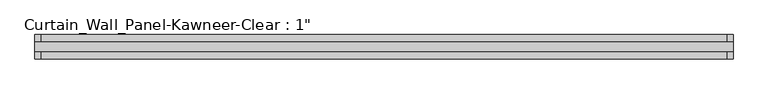
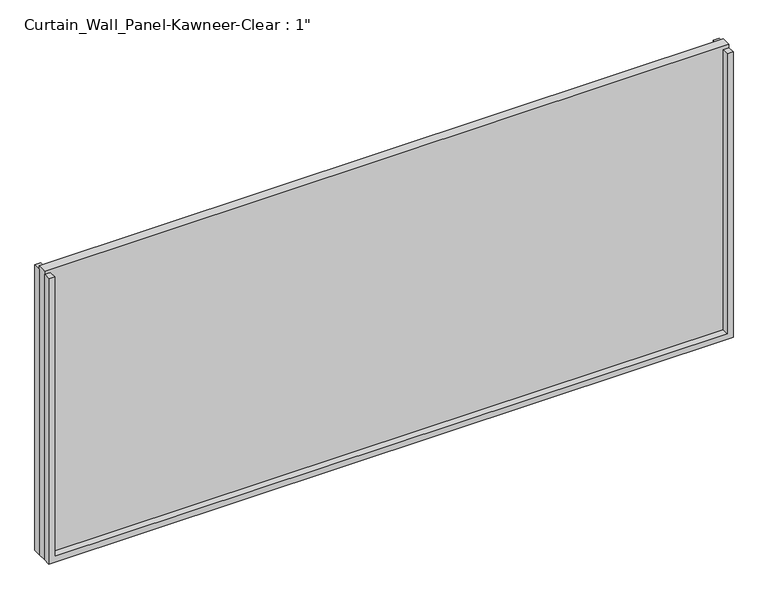
"""IFC4 building model written with IfcOpenShell, lengths in millimetres: plate geometry."""

import ifcopenshell
import ifcopenshell.guid

model = None  # the IFC model being written
_history = None  # IfcOwnerHistory: only IFC2X3 demands one
_inside = {}  # id of a spatial element -> (the spatial element, [elements in it])
_under = {}  # id of a project, library or spatial element -> (it, [spatial elements below it])
_declared = {}  # id of a project -> (the project, [libraries it declares])
_typed = {}  # id of a type object -> (the type object, [elements of that type])
_made_of = {}  # id of a material, layer set ... -> (it, [elements and type objects made of it])


def new_model(schema):
    """Start an empty IFC model of exactly this schema.

    Asked for "IFC4X3", IfcOpenShell would pick the latest addendum, in which some entities
    have other attributes; the version numbers below select the first issue.
    IFC2X3 requires an IfcOwnerHistory on every rooted entity: one is made here for all.
    """
    global model, _history
    if schema == "IFC4X3":
        model = ifcopenshell.file(schema_version=(4, 3, 0, 0))
    else:
        model = ifcopenshell.file(schema=schema)
    _inside.clear()
    _under.clear()
    _declared.clear()
    _typed.clear()
    _made_of.clear()
    _history = None
    if model.schema == "IFC2X3":
        org = make("IfcOrganization", Name="unknown")
        user = make(
            "IfcPersonAndOrganization",
            ThePerson=make("IfcPerson", FamilyName="unknown"),
            TheOrganization=org,
        )
        app = make(
            "IfcApplication",
            ApplicationDeveloper=org,
            Version="unknown",
            ApplicationFullName="unknown",
            ApplicationIdentifier="unknown",
        )
        _history = make(
            "IfcOwnerHistory",
            OwningUser=user,
            OwningApplication=app,
            ChangeAction="ADDED",
            CreationDate=0,
        )
    return model


def make(cls, **values):
    """One entity of the class cls with the attributes given. An attribute that is None is left unset."""
    return model.create_entity(
        cls, **{name: value for name, value in values.items() if value is not None}
    )


def rooted(cls, **values):
    """An entity with a GlobalId (a new one), such as an element, a storey or a relation."""
    return make(cls, GlobalId=ifcopenshell.guid.new(), OwnerHistory=_history, **values)


def si_unit(unit_type, name, prefix=None):
    """IfcSIUnit, for example si_unit("LENGTHUNIT", "METRE", prefix="MILLI")."""
    return make("IfcSIUnit", UnitType=unit_type, Prefix=prefix, Name=name)


def assignment(units):
    """IfcUnitAssignment: the units of a project."""
    return None if units is None else make("IfcUnitAssignment", Units=units)


def point(xyz):
    """IfcCartesianPoint."""
    return None if xyz is None else make("IfcCartesianPoint", Coordinates=xyz)


def direction(xyz):
    """IfcDirection."""
    return None if xyz is None else make("IfcDirection", DirectionRatios=xyz)


def frame(location, z_axis=None, x_axis=None):
    """IfcAxis2Placement3D, a coordinate frame: its origin and axes. An axis left out is left unset."""
    return make(
        "IfcAxis2Placement3D",
        Location=point(location),
        Axis=direction(z_axis),
        RefDirection=direction(x_axis),
    )


def origin():
    """The frame at (0, 0, 0) with its axes left unset."""
    return frame((0.0, 0.0, 0.0))


def origin_with_axes():
    """The frame at (0, 0, 0) with the z axis (0, 0, 1) and the x axis (1, 0, 0) written out."""
    return frame((0.0, 0.0, 0.0), z_axis=(0.0, 0.0, 1.0), x_axis=(1.0, 0.0, 0.0))


def place(relative_to, where):
    """IfcLocalPlacement: puts the frame where relative to a parent placement (None: the world)."""
    return make(
        "IfcLocalPlacement", PlacementRelTo=relative_to, RelativePlacement=where
    )


def context(
    kind, dimensions, precision=None, world=None, true_north=None, identifier=None
):
    """IfcGeometricRepresentationContext, for example the 3D "Model" context."""
    return make(
        "IfcGeometricRepresentationContext",
        ContextIdentifier=identifier,
        ContextType=kind,
        CoordinateSpaceDimension=dimensions,
        Precision=precision,
        WorldCoordinateSystem=world,
        TrueNorth=true_north,
    )


def project(units=None, contexts=None):
    """IfcProject with its units and contexts."""
    return rooted(
        "IfcProject",
        Name="project",
        RepresentationContexts=contexts,
        UnitsInContext=assignment(units),
    )


def spatial(cls, under=None, at=None, **own):
    """A site, building, storey or space (cls), placed at a placement, below another one or the project."""
    s = rooted(cls, ObjectPlacement=at, **own)
    if under is not None:
        _under.setdefault(under.id(), (under, []))[1].append(s)
    return s


def polyline(points):
    """IfcPolyline through the points."""
    return make("IfcPolyline", Points=[point(p) for p in points])


def outline(outer, holes=None, kind="AREA"):
    """IfcArbitraryClosedProfileDef: a profile drawn as a closed curve; with holes, ...WithVoids."""
    if holes is None:
        return make("IfcArbitraryClosedProfileDef", ProfileType=kind, OuterCurve=outer)
    return make(
        "IfcArbitraryProfileDefWithVoids",
        ProfileType=kind,
        OuterCurve=outer,
        InnerCurves=holes,
    )


def extrude(swept, where, along, depth):
    """IfcExtrudedAreaSolid: the profile swept, set in the frame where, extruded along a direction by depth."""
    return make(
        "IfcExtrudedAreaSolid",
        SweptArea=swept,
        Position=where,
        ExtrudedDirection=direction(along),
        Depth=depth,
    )


def shape(context_of_items, identifier, shape_type, items):
    """IfcShapeRepresentation: the items that make up one representation, for example the "Body"."""
    return make(
        "IfcShapeRepresentation",
        ContextOfItems=context_of_items,
        RepresentationIdentifier=identifier,
        RepresentationType=shape_type,
        Items=items,
    )


def source(mapping_origin, context_of_items, identifier, shape_type, items):
    """IfcRepresentationMap: a shape defined once, which mapped items show again and again."""
    return make(
        "IfcRepresentationMap",
        MappingOrigin=mapping_origin,
        MappedRepresentation=shape(context_of_items, identifier, shape_type, items),
    )


def transform(
    local_origin,
    x_axis=None,
    y_axis=None,
    z_axis=None,
    scale=None,
    scale2=None,
    scale3=None,
    uniform=True,
):
    """IfcCartesianTransformationOperator3D, or its non-uniform kind. x_axis, y_axis, z_axis: its Axis1, 2, 3."""
    if uniform:
        return make(
            "IfcCartesianTransformationOperator3D",
            Axis1=direction(x_axis),
            Axis2=direction(y_axis),
            LocalOrigin=point(local_origin),
            Scale=scale,
            Axis3=direction(z_axis),
        )
    return make(
        "IfcCartesianTransformationOperator3DnonUniform",
        Axis1=direction(x_axis),
        Axis2=direction(y_axis),
        LocalOrigin=point(local_origin),
        Scale=scale,
        Axis3=direction(z_axis),
        Scale2=scale2,
        Scale3=scale3,
    )


def mapped(mapping_source, mapping_target):
    """IfcMappedItem: shows the shape of a source again, moved by a transform."""
    return make(
        "IfcMappedItem", MappingSource=mapping_source, MappingTarget=mapping_target
    )


def made_of(thing, what):
    """Note that an element or type object is made of a material, layer set ...; save() writes the relation."""
    if what is not None:
        _made_of.setdefault(what.id(), (what, []))[1].append(thing)
    return thing


def element(
    cls,
    number,
    at=None,
    inside=None,
    cuts=None,
    type_object=None,
    material=None,
    context=None,
    identifier="Body",
    shape_type=None,
    held_by="IfcProductDefinitionShape",
    body=None,
    shapes=None,
    **own,
):
    """One element of the class cls, such as IfcWall. Its Tag is "e" and its number.

    at: its placement. inside: the storey or other place that contains it. cuts: it is an
    opening in that element (IfcRelVoidsElement). A single representation is given by context,
    identifier, shape_type and body (its items); several are given by shapes. held_by: the class
    of the entity that holds the representations. save() writes the other relations.
    """
    e = rooted(cls, Tag="e%d" % number, ObjectPlacement=at, **own)
    if body is not None:
        shapes = [shape(context, identifier, shape_type, body)]
    if shapes is not None:
        e.Representation = make(held_by, Representations=shapes)
    if inside is not None:
        _inside.setdefault(inside.id(), (inside, []))[1].append(e)
    if cuts is not None:
        rooted(
            "IfcRelVoidsElement", RelatingBuildingElement=cuts, RelatedOpeningElement=e
        )
    if type_object is not None:
        _typed.setdefault(type_object.id(), (type_object, []))[1].append(e)
    return made_of(e, material)


def aggregate(whole, parts):
    """IfcRelAggregates: a whole, such as a stair, and the parts it consists of."""
    return rooted("IfcRelAggregates", RelatingObject=whole, RelatedObjects=parts)


def save(model, path):
    """Write the relations noted so far, then the file.

    IfcRelAggregates (storeys below a building ...), IfcRelContainedInSpatialStructure (elements
    in a storey), IfcRelDefinesByType, IfcRelAssociatesMaterial and IfcRelDeclares: one each for
    every whole, place, type object, material and project.
    """
    for whole, parts in _under.values():
        aggregate(whole, parts)
    for where, things in _inside.values():
        rooted(
            "IfcRelContainedInSpatialStructure",
            RelatedElements=things,
            RelatingStructure=where,
        )
    for kind, things in _typed.values():
        rooted("IfcRelDefinesByType", RelatedObjects=things, RelatingType=kind)
    for what, things in _made_of.values():
        rooted("IfcRelAssociatesMaterial", RelatedObjects=things, RelatingMaterial=what)
    for by, libraries in _declared.values():
        rooted("IfcRelDeclares", RelatingContext=by, RelatedDefinitions=libraries)
    model.write(path)


def plate_bbd05bbf(model_context):
    return source(origin(), model_context, "Body", "SweptSolid", [
        extrude(outline(polyline([(806.45, 898.525), (15.875, 898.525), (15.875, -898.525), (806.45, -898.525), (806.45, -914.4), (0.0, -914.4), (0.0, 914.4), (806.45, 914.4), (806.45, 898.525)])), frame((0.0, -31.75, 0.0), z_axis=(0.0, 1.0, 0.0), x_axis=(0.0, 0.0, 1.0)), (0.0, 0.0, 1.0), 19.05),
        extrude(outline(polyline([(806.45, 898.525), (15.875, 898.525), (15.875, -898.525), (806.45, -898.525), (806.45, -914.4), (0.0, -914.4), (0.0, 914.4), (806.45, 914.4), (806.45, 898.525)])), frame((0.0, 12.7, 0.0), z_axis=(0.0, 1.0, 0.0), x_axis=(0.0, 0.0, 1.0)), (0.0, 0.0, 1.0), 19.05),
        extrude(outline(polyline([(914.4, -12.7), (-914.4, -12.7), (-914.4, 12.7), (914.4, 12.7), (914.4, -12.7)])), origin_with_axes(), (0.0, 0.0, 1.0), 815.975),
    ])


if __name__ == "__main__":
    model = new_model("IFC4")
    model_context = context("Model", 3, world=origin())
    ifc_project = project(units=[si_unit("LENGTHUNIT", "METRE", prefix="MILLI")], contexts=[model_context])
    site = spatial("IfcSite", under=ifc_project)
    building = spatial("IfcBuilding", under=site)
    placement = place(None, origin())
    plate_shape = plate_bbd05bbf(model_context)
    element("IfcPlate", 1, ObjectType="Curtain_Wall_Panel-Kawneer-Clear : 1\"", at=placement, inside=building, context=model_context, shape_type="MappedRepresentation", body=[
        mapped(plate_shape, transform((0.0, 0.0, 0.0), x_axis=(1.0, 0.0, 0.0), y_axis=(0.0, 1.0, 0.0), z_axis=(0.0, 0.0, 1.0))),
    ])
    save(model, "model.ifc")
